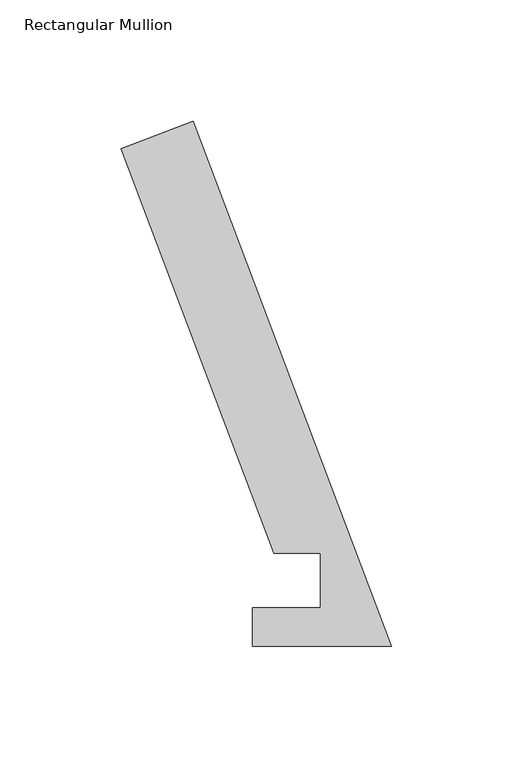
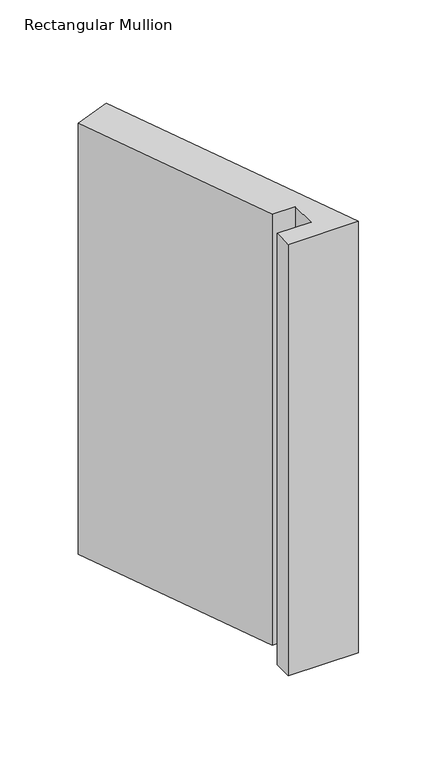
"""IFC4 building model written with IfcOpenShell, lengths in millimetres: member geometry, Rectangular Mullion."""

from ifc_helpers import new_model, si_unit, frame, origin, place, context, project, spatial, polyline, outline, extrude, source, transform, mapped, element, save


def rectangular_mullion_ce6bbdc5(model_context):
    return source(origin(), model_context, "Body", "SweptSolid", [
        extrude(outline(polyline([(-111.4156088, 205.0070695), (-81.7285764, 216.2248642), (0.0, -0.0635374), (-57.277, -0.0635374), (-57.277, 15.8114626), (-29.3735907, 15.8114626), (-29.3735907, 38.2984375), (-48.4216661, 38.2984375), (-111.4156088, 205.0070695)])), frame((0.0, 0.0, -374.2631448), z_axis=(0.0, 0.0, 1.0), x_axis=(1.0, 0.0, 0.0)), (0.0, 0.0, 1.0), 374.2631448),
    ])


if __name__ == "__main__":
    model = new_model("IFC4")
    model_context = context("Model", 3, world=origin())
    ifc_project = project(units=[si_unit("LENGTHUNIT", "METRE", prefix="MILLI")], contexts=[model_context])
    site = spatial("IfcSite", under=ifc_project)
    building = spatial("IfcBuilding", under=site)
    placement = place(None, origin())
    rectangular_mullion_shape = rectangular_mullion_ce6bbdc5(model_context)
    element("IfcMember", 1, ObjectType="Rectangular Mullion", at=placement, inside=building, context=model_context, shape_type="MappedRepresentation", body=[
        mapped(rectangular_mullion_shape, transform((0.0, 0.0, 0.0), x_axis=(1.0, 0.0, 0.0), y_axis=(0.0, 1.0, 0.0), z_axis=(0.0, 0.0, 1.0))),
    ])
    save(model, "model.ifc")
